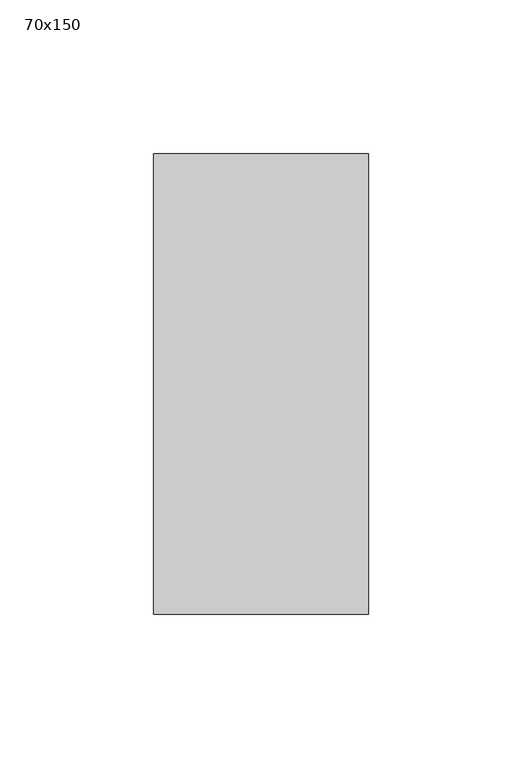
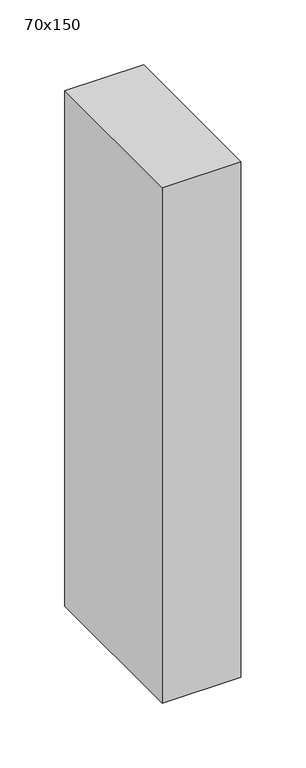
"""IFC4 building model written with IfcOpenShell, lengths in millimetres: member geometry, 70x150."""

import ifcopenshell
import ifcopenshell.guid

model = None  # the IFC model being written
_history = None  # IfcOwnerHistory: only IFC2X3 demands one
_inside = {}  # id of a spatial element -> (the spatial element, [elements in it])
_under = {}  # id of a project, library or spatial element -> (it, [spatial elements below it])
_declared = {}  # id of a project -> (the project, [libraries it declares])
_typed = {}  # id of a type object -> (the type object, [elements of that type])
_made_of = {}  # id of a material, layer set ... -> (it, [elements and type objects made of it])


def new_model(schema):
    """Start an empty IFC model of exactly this schema.

    Asked for "IFC4X3", IfcOpenShell would pick the latest addendum, in which some entities
    have other attributes; the version numbers below select the first issue.
    IFC2X3 requires an IfcOwnerHistory on every rooted entity: one is made here for all.
    """
    global model, _history
    if schema == "IFC4X3":
        model = ifcopenshell.file(schema_version=(4, 3, 0, 0))
    else:
        model = ifcopenshell.file(schema=schema)
    _inside.clear()
    _under.clear()
    _declared.clear()
    _typed.clear()
    _made_of.clear()
    _history = None
    if model.schema == "IFC2X3":
        org = make("IfcOrganization", Name="unknown")
        user = make(
            "IfcPersonAndOrganization",
            ThePerson=make("IfcPerson", FamilyName="unknown"),
            TheOrganization=org,
        )
        app = make(
            "IfcApplication",
            ApplicationDeveloper=org,
            Version="unknown",
            ApplicationFullName="unknown",
            ApplicationIdentifier="unknown",
        )
        _history = make(
            "IfcOwnerHistory",
            OwningUser=user,
            OwningApplication=app,
            ChangeAction="ADDED",
            CreationDate=0,
        )
    return model


def make(cls, **values):
    """One entity of the class cls with the attributes given. An attribute that is None is left unset."""
    return model.create_entity(
        cls, **{name: value for name, value in values.items() if value is not None}
    )


def rooted(cls, **values):
    """An entity with a GlobalId (a new one), such as an element, a storey or a relation."""
    return make(cls, GlobalId=ifcopenshell.guid.new(), OwnerHistory=_history, **values)


def si_unit(unit_type, name, prefix=None):
    """IfcSIUnit, for example si_unit("LENGTHUNIT", "METRE", prefix="MILLI")."""
    return make("IfcSIUnit", UnitType=unit_type, Prefix=prefix, Name=name)


def assignment(units):
    """IfcUnitAssignment: the units of a project."""
    return None if units is None else make("IfcUnitAssignment", Units=units)


def point(xyz):
    """IfcCartesianPoint."""
    return None if xyz is None else make("IfcCartesianPoint", Coordinates=xyz)


def direction(xyz):
    """IfcDirection."""
    return None if xyz is None else make("IfcDirection", DirectionRatios=xyz)


def frame(location, z_axis=None, x_axis=None):
    """IfcAxis2Placement3D, a coordinate frame: its origin and axes. An axis left out is left unset."""
    return make(
        "IfcAxis2Placement3D",
        Location=point(location),
        Axis=direction(z_axis),
        RefDirection=direction(x_axis),
    )


def origin():
    """The frame at (0, 0, 0) with its axes left unset."""
    return frame((0.0, 0.0, 0.0))


def place(relative_to, where):
    """IfcLocalPlacement: puts the frame where relative to a parent placement (None: the world)."""
    return make(
        "IfcLocalPlacement", PlacementRelTo=relative_to, RelativePlacement=where
    )


def context(
    kind, dimensions, precision=None, world=None, true_north=None, identifier=None
):
    """IfcGeometricRepresentationContext, for example the 3D "Model" context."""
    return make(
        "IfcGeometricRepresentationContext",
        ContextIdentifier=identifier,
        ContextType=kind,
        CoordinateSpaceDimension=dimensions,
        Precision=precision,
        WorldCoordinateSystem=world,
        TrueNorth=true_north,
    )


def project(units=None, contexts=None):
    """IfcProject with its units and contexts."""
    return rooted(
        "IfcProject",
        Name="project",
        RepresentationContexts=contexts,
        UnitsInContext=assignment(units),
    )


def spatial(cls, under=None, at=None, **own):
    """A site, building, storey or space (cls), placed at a placement, below another one or the project."""
    s = rooted(cls, ObjectPlacement=at, **own)
    if under is not None:
        _under.setdefault(under.id(), (under, []))[1].append(s)
    return s


def polyline(points):
    """IfcPolyline through the points."""
    return make("IfcPolyline", Points=[point(p) for p in points])


def outline(outer, holes=None, kind="AREA"):
    """IfcArbitraryClosedProfileDef: a profile drawn as a closed curve; with holes, ...WithVoids."""
    if holes is None:
        return make("IfcArbitraryClosedProfileDef", ProfileType=kind, OuterCurve=outer)
    return make(
        "IfcArbitraryProfileDefWithVoids",
        ProfileType=kind,
        OuterCurve=outer,
        InnerCurves=holes,
    )


def extrude(swept, where, along, depth):
    """IfcExtrudedAreaSolid: the profile swept, set in the frame where, extruded along a direction by depth."""
    return make(
        "IfcExtrudedAreaSolid",
        SweptArea=swept,
        Position=where,
        ExtrudedDirection=direction(along),
        Depth=depth,
    )


def shape(context_of_items, identifier, shape_type, items):
    """IfcShapeRepresentation: the items that make up one representation, for example the "Body"."""
    return make(
        "IfcShapeRepresentation",
        ContextOfItems=context_of_items,
        RepresentationIdentifier=identifier,
        RepresentationType=shape_type,
        Items=items,
    )


def source(mapping_origin, context_of_items, identifier, shape_type, items):
    """IfcRepresentationMap: a shape defined once, which mapped items show again and again."""
    return make(
        "IfcRepresentationMap",
        MappingOrigin=mapping_origin,
        MappedRepresentation=shape(context_of_items, identifier, shape_type, items),
    )


def transform(
    local_origin,
    x_axis=None,
    y_axis=None,
    z_axis=None,
    scale=None,
    scale2=None,
    scale3=None,
    uniform=True,
):
    """IfcCartesianTransformationOperator3D, or its non-uniform kind. x_axis, y_axis, z_axis: its Axis1, 2, 3."""
    if uniform:
        return make(
            "IfcCartesianTransformationOperator3D",
            Axis1=direction(x_axis),
            Axis2=direction(y_axis),
            LocalOrigin=point(local_origin),
            Scale=scale,
            Axis3=direction(z_axis),
        )
    return make(
        "IfcCartesianTransformationOperator3DnonUniform",
        Axis1=direction(x_axis),
        Axis2=direction(y_axis),
        LocalOrigin=point(local_origin),
        Scale=scale,
        Axis3=direction(z_axis),
        Scale2=scale2,
        Scale3=scale3,
    )


def mapped(mapping_source, mapping_target):
    """IfcMappedItem: shows the shape of a source again, moved by a transform."""
    return make(
        "IfcMappedItem", MappingSource=mapping_source, MappingTarget=mapping_target
    )


def made_of(thing, what):
    """Note that an element or type object is made of a material, layer set ...; save() writes the relation."""
    if what is not None:
        _made_of.setdefault(what.id(), (what, []))[1].append(thing)
    return thing


def element(
    cls,
    number,
    at=None,
    inside=None,
    cuts=None,
    type_object=None,
    material=None,
    context=None,
    identifier="Body",
    shape_type=None,
    held_by="IfcProductDefinitionShape",
    body=None,
    shapes=None,
    **own,
):
    """One element of the class cls, such as IfcWall. Its Tag is "e" and its number.

    at: its placement. inside: the storey or other place that contains it. cuts: it is an
    opening in that element (IfcRelVoidsElement). A single representation is given by context,
    identifier, shape_type and body (its items); several are given by shapes. held_by: the class
    of the entity that holds the representations. save() writes the other relations.
    """
    e = rooted(cls, Tag="e%d" % number, ObjectPlacement=at, **own)
    if body is not None:
        shapes = [shape(context, identifier, shape_type, body)]
    if shapes is not None:
        e.Representation = make(held_by, Representations=shapes)
    if inside is not None:
        _inside.setdefault(inside.id(), (inside, []))[1].append(e)
    if cuts is not None:
        rooted(
            "IfcRelVoidsElement", RelatingBuildingElement=cuts, RelatedOpeningElement=e
        )
    if type_object is not None:
        _typed.setdefault(type_object.id(), (type_object, []))[1].append(e)
    return made_of(e, material)


def aggregate(whole, parts):
    """IfcRelAggregates: a whole, such as a stair, and the parts it consists of."""
    return rooted("IfcRelAggregates", RelatingObject=whole, RelatedObjects=parts)


def save(model, path):
    """Write the relations noted so far, then the file.

    IfcRelAggregates (storeys below a building ...), IfcRelContainedInSpatialStructure (elements
    in a storey), IfcRelDefinesByType, IfcRelAssociatesMaterial and IfcRelDeclares: one each for
    every whole, place, type object, material and project.
    """
    for whole, parts in _under.values():
        aggregate(whole, parts)
    for where, things in _inside.values():
        rooted(
            "IfcRelContainedInSpatialStructure",
            RelatedElements=things,
            RelatingStructure=where,
        )
    for kind, things in _typed.values():
        rooted("IfcRelDefinesByType", RelatedObjects=things, RelatingType=kind)
    for what, things in _made_of.values():
        rooted("IfcRelAssociatesMaterial", RelatedObjects=things, RelatingMaterial=what)
    for by, libraries in _declared.values():
        rooted("IfcRelDeclares", RelatingContext=by, RelatedDefinitions=libraries)
    model.write(path)


def member_70x150_a7debf2b(model_context):
    return source(origin(), model_context, "Body", "SweptSolid", [
        extrude(outline(polyline([(0.0, 75.0), (0.0, -75.0), (-70.0, -75.0), (-70.0, 75.0), (0.0, 75.0)])), frame((0.0, 0.0, -485.0), z_axis=(0.0, 0.0, 1.0), x_axis=(1.0, 0.0, 0.0)), (0.0, 0.0, 1.0), 485.0),
    ])


if __name__ == "__main__":
    model = new_model("IFC4")
    model_context = context("Model", 3, world=origin())
    ifc_project = project(units=[si_unit("LENGTHUNIT", "METRE", prefix="MILLI")], contexts=[model_context])
    site = spatial("IfcSite", under=ifc_project)
    building = spatial("IfcBuilding", under=site)
    placement = place(None, origin())
    member_70x150_shape = member_70x150_a7debf2b(model_context)
    element("IfcMember", 1, ObjectType="70x150", at=placement, inside=building, context=model_context, shape_type="MappedRepresentation", body=[
        mapped(member_70x150_shape, transform((0.0, 0.0, 0.0), x_axis=(1.0, 0.0, 0.0), y_axis=(0.0, 1.0, 0.0), z_axis=(0.0, 0.0, 1.0))),
    ])
    save(model, "model.ifc")
